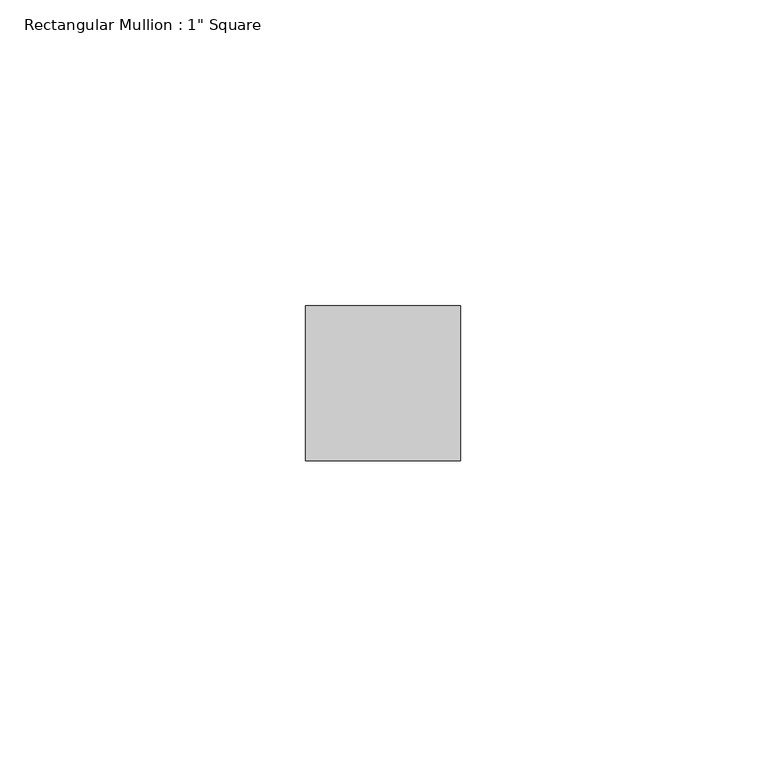
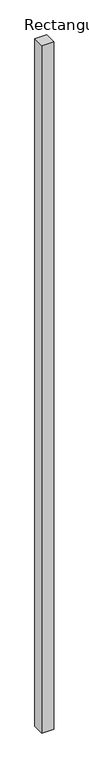
"""IFC4 building model written with IfcOpenShell, lengths in millimetres: member geometry."""

from ifc_helpers import new_model, si_unit, frame, origin, place, context, project, spatial, polyline, outline, extrude, source, transform, mapped, element, save


def member_760c5e1c(model_context):
    return source(origin(), model_context, "Body", "SweptSolid", [
        extrude(outline(polyline([(12.7, 12.7), (12.7, -12.7), (-12.7, -12.7), (-12.7, 12.7), (12.7, 12.7)])), frame((0.0, 0.0, -1536.7), z_axis=(0.0, 0.0, 1.0), x_axis=(1.0, 0.0, 0.0)), (0.0, 0.0, 1.0), 1536.7),
    ])


if __name__ == "__main__":
    model = new_model("IFC4")
    model_context = context("Model", 3, world=origin())
    ifc_project = project(units=[si_unit("LENGTHUNIT", "METRE", prefix="MILLI")], contexts=[model_context])
    site = spatial("IfcSite", under=ifc_project)
    building = spatial("IfcBuilding", under=site)
    placement = place(None, origin())
    member_shape = member_760c5e1c(model_context)
    element("IfcMember", 1, ObjectType="Rectangular Mullion : 1\" Square", at=placement, inside=building, context=model_context, shape_type="MappedRepresentation", body=[
        mapped(member_shape, transform((0.0, 0.0, 0.0), x_axis=(1.0, 0.0, 0.0), y_axis=(0.0, 1.0, 0.0), z_axis=(0.0, 0.0, 1.0))),
    ])
    save(model, "model.ifc")
